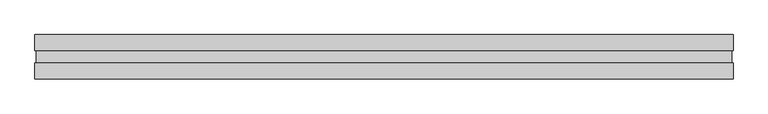
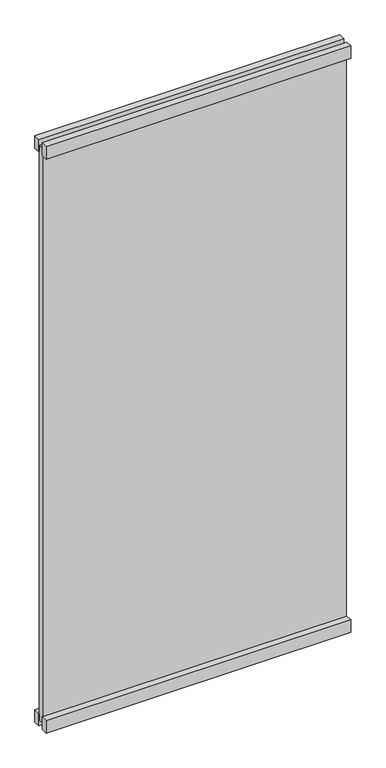
"""IFC4 building model written with IfcOpenShell, lengths in millimetres: plate geometry."""

from ifc_helpers import new_model, si_unit, frame, origin, origin_with_axes, place, context, project, spatial, polyline, outline, extrude, source, transform, mapped, element, save


def plate_f9e1a116(model_context):
    return source(origin(), model_context, "Body", "SweptSolid", [
        extrude(outline(polyline([(709.378037, -13.0), (709.378037, -45.0), (-709.378037, -45.0), (-709.378037, -13.0), (709.378037, -13.0)])), origin_with_axes(), (0.0, 0.0, 1.0), 60.0),
        extrude(outline(polyline([(709.378037, 45.0), (709.378037, 13.0), (-709.378037, 13.0), (-709.378037, 45.0), (709.378037, 45.0)])), origin_with_axes(), (0.0, 0.0, 1.0), 60.0),
        extrude(outline(polyline([(709.378037, -13.0), (709.378037, -45.0), (-709.378037, -45.0), (-709.378037, -13.0), (709.378037, -13.0)])), frame((0.0, 0.0, 2825.0), z_axis=(0.0, 0.0, 1.0), x_axis=(1.0, 0.0, 0.0)), (0.0, 0.0, 1.0), 60.0),
        extrude(outline(polyline([(709.378037, 45.0), (709.378037, 13.0), (-709.378037, 13.0), (-709.378037, 45.0), (709.378037, 45.0)])), frame((0.0, 0.0, 2825.0), z_axis=(0.0, 0.0, 1.0), x_axis=(1.0, 0.0, 0.0)), (0.0, 0.0, 1.0), 60.0),
        extrude(outline(polyline([(706.878037, -13.0), (-706.878037, -13.0), (-706.878037, 13.0), (706.878037, 13.0), (706.878037, -13.0)])), frame((0.0, 0.0, 28.0), z_axis=(0.0, 0.0, 1.0), x_axis=(1.0, 0.0, 0.0)), (0.0, 0.0, 1.0), 2829.0),
    ])


if __name__ == "__main__":
    model = new_model("IFC4")
    model_context = context("Model", 3, world=origin())
    ifc_project = project(units=[si_unit("LENGTHUNIT", "METRE", prefix="MILLI")], contexts=[model_context])
    site = spatial("IfcSite", under=ifc_project)
    building = spatial("IfcBuilding", under=site)
    placement = place(None, origin())
    plate_shape = plate_f9e1a116(model_context)
    element("IfcPlate", 1, at=placement, inside=building, context=model_context, shape_type="MappedRepresentation", body=[
        mapped(plate_shape, transform((0.0, 0.0, 0.0), x_axis=(1.0, 0.0, 0.0), y_axis=(0.0, 1.0, 0.0), z_axis=(0.0, 0.0, 1.0))),
    ])
    save(model, "model.ifc")
